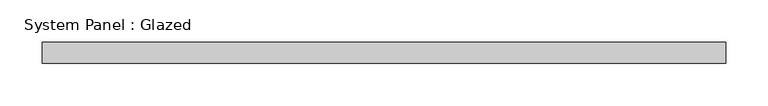
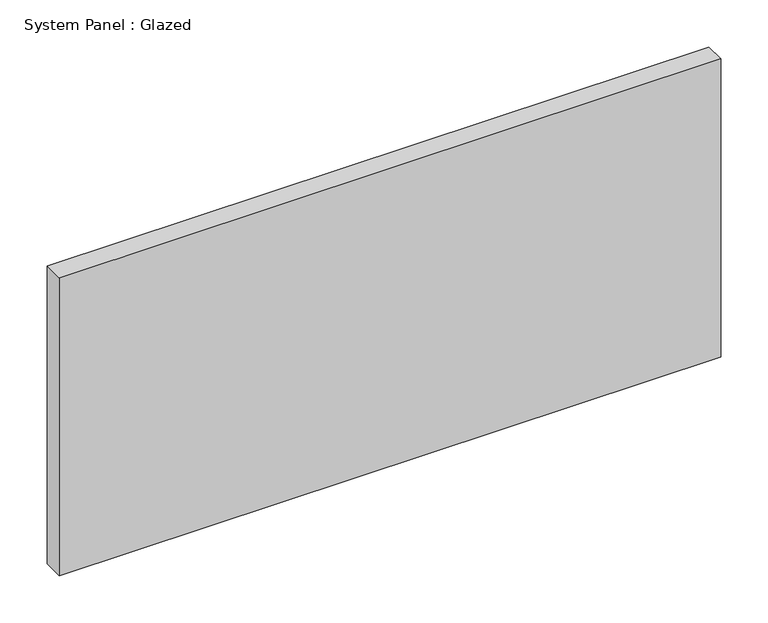
"""IFC4 building model written with IfcOpenShell, lengths in millimetres: plate geometry, System Panel : Glazed."""

from ifc_helpers import new_model, si_unit, origin, origin_with_axes, place, context, project, spatial, polyline, outline, extrude, source, transform, mapped, element, save


def system_panel_glazed_33b3b17b(model_context):
    return source(origin(), model_context, "Body", "SweptSolid", [
        extrude(outline(polyline([(404.1666667, -49.5), (-404.1666667, -49.5), (-404.1666667, -24.5), (404.1666667, -24.5), (404.1666667, -49.5)])), origin_with_axes(), (0.0, 0.0, 1.0), 385.0),
    ])


if __name__ == "__main__":
    model = new_model("IFC4")
    model_context = context("Model", 3, world=origin())
    ifc_project = project(units=[si_unit("LENGTHUNIT", "METRE", prefix="MILLI")], contexts=[model_context])
    site = spatial("IfcSite", under=ifc_project)
    building = spatial("IfcBuilding", under=site)
    placement = place(None, origin())
    system_panel_glazed_shape = system_panel_glazed_33b3b17b(model_context)
    element("IfcPlate", 1, ObjectType="System Panel : Glazed", at=placement, inside=building, context=model_context, shape_type="MappedRepresentation", body=[
        mapped(system_panel_glazed_shape, transform((0.0, 0.0, 0.0), x_axis=(1.0, 0.0, 0.0), y_axis=(0.0, 1.0, 0.0), z_axis=(0.0, 0.0, 1.0))),
    ])
    save(model, "model.ifc")
